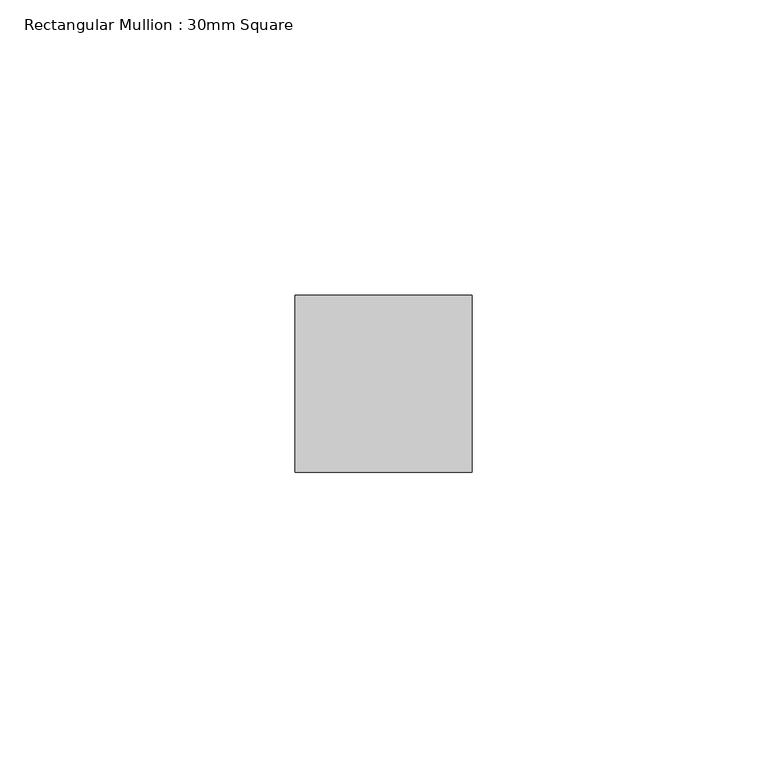
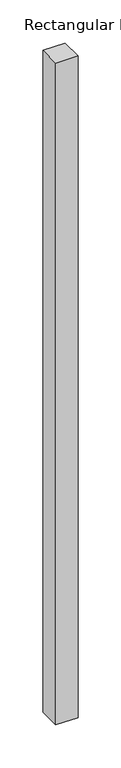
"""IFC4 building model written with IfcOpenShell, lengths in millimetres: member geometry, Rectangular Mullion : 30mm Square."""

import ifcopenshell
import ifcopenshell.guid

model = None  # the IFC model being written
_history = None  # IfcOwnerHistory: only IFC2X3 demands one
_inside = {}  # id of a spatial element -> (the spatial element, [elements in it])
_under = {}  # id of a project, library or spatial element -> (it, [spatial elements below it])
_declared = {}  # id of a project -> (the project, [libraries it declares])
_typed = {}  # id of a type object -> (the type object, [elements of that type])
_made_of = {}  # id of a material, layer set ... -> (it, [elements and type objects made of it])


def new_model(schema):
    """Start an empty IFC model of exactly this schema.

    Asked for "IFC4X3", IfcOpenShell would pick the latest addendum, in which some entities
    have other attributes; the version numbers below select the first issue.
    IFC2X3 requires an IfcOwnerHistory on every rooted entity: one is made here for all.
    """
    global model, _history
    if schema == "IFC4X3":
        model = ifcopenshell.file(schema_version=(4, 3, 0, 0))
    else:
        model = ifcopenshell.file(schema=schema)
    _inside.clear()
    _under.clear()
    _declared.clear()
    _typed.clear()
    _made_of.clear()
    _history = None
    if model.schema == "IFC2X3":
        org = make("IfcOrganization", Name="unknown")
        user = make(
            "IfcPersonAndOrganization",
            ThePerson=make("IfcPerson", FamilyName="unknown"),
            TheOrganization=org,
        )
        app = make(
            "IfcApplication",
            ApplicationDeveloper=org,
            Version="unknown",
            ApplicationFullName="unknown",
            ApplicationIdentifier="unknown",
        )
        _history = make(
            "IfcOwnerHistory",
            OwningUser=user,
            OwningApplication=app,
            ChangeAction="ADDED",
            CreationDate=0,
        )
    return model


def make(cls, **values):
    """One entity of the class cls with the attributes given. An attribute that is None is left unset."""
    return model.create_entity(
        cls, **{name: value for name, value in values.items() if value is not None}
    )


def rooted(cls, **values):
    """An entity with a GlobalId (a new one), such as an element, a storey or a relation."""
    return make(cls, GlobalId=ifcopenshell.guid.new(), OwnerHistory=_history, **values)


def si_unit(unit_type, name, prefix=None):
    """IfcSIUnit, for example si_unit("LENGTHUNIT", "METRE", prefix="MILLI")."""
    return make("IfcSIUnit", UnitType=unit_type, Prefix=prefix, Name=name)


def assignment(units):
    """IfcUnitAssignment: the units of a project."""
    return None if units is None else make("IfcUnitAssignment", Units=units)


def point(xyz):
    """IfcCartesianPoint."""
    return None if xyz is None else make("IfcCartesianPoint", Coordinates=xyz)


def direction(xyz):
    """IfcDirection."""
    return None if xyz is None else make("IfcDirection", DirectionRatios=xyz)


def frame(location, z_axis=None, x_axis=None):
    """IfcAxis2Placement3D, a coordinate frame: its origin and axes. An axis left out is left unset."""
    return make(
        "IfcAxis2Placement3D",
        Location=point(location),
        Axis=direction(z_axis),
        RefDirection=direction(x_axis),
    )


def origin():
    """The frame at (0, 0, 0) with its axes left unset."""
    return frame((0.0, 0.0, 0.0))


def place(relative_to, where):
    """IfcLocalPlacement: puts the frame where relative to a parent placement (None: the world)."""
    return make(
        "IfcLocalPlacement", PlacementRelTo=relative_to, RelativePlacement=where
    )


def context(
    kind, dimensions, precision=None, world=None, true_north=None, identifier=None
):
    """IfcGeometricRepresentationContext, for example the 3D "Model" context."""
    return make(
        "IfcGeometricRepresentationContext",
        ContextIdentifier=identifier,
        ContextType=kind,
        CoordinateSpaceDimension=dimensions,
        Precision=precision,
        WorldCoordinateSystem=world,
        TrueNorth=true_north,
    )


def project(units=None, contexts=None):
    """IfcProject with its units and contexts."""
    return rooted(
        "IfcProject",
        Name="project",
        RepresentationContexts=contexts,
        UnitsInContext=assignment(units),
    )


def spatial(cls, under=None, at=None, **own):
    """A site, building, storey or space (cls), placed at a placement, below another one or the project."""
    s = rooted(cls, ObjectPlacement=at, **own)
    if under is not None:
        _under.setdefault(under.id(), (under, []))[1].append(s)
    return s


def polyline(points):
    """IfcPolyline through the points."""
    return make("IfcPolyline", Points=[point(p) for p in points])


def outline(outer, holes=None, kind="AREA"):
    """IfcArbitraryClosedProfileDef: a profile drawn as a closed curve; with holes, ...WithVoids."""
    if holes is None:
        return make("IfcArbitraryClosedProfileDef", ProfileType=kind, OuterCurve=outer)
    return make(
        "IfcArbitraryProfileDefWithVoids",
        ProfileType=kind,
        OuterCurve=outer,
        InnerCurves=holes,
    )


def extrude(swept, where, along, depth):
    """IfcExtrudedAreaSolid: the profile swept, set in the frame where, extruded along a direction by depth."""
    return make(
        "IfcExtrudedAreaSolid",
        SweptArea=swept,
        Position=where,
        ExtrudedDirection=direction(along),
        Depth=depth,
    )


def shape(context_of_items, identifier, shape_type, items):
    """IfcShapeRepresentation: the items that make up one representation, for example the "Body"."""
    return make(
        "IfcShapeRepresentation",
        ContextOfItems=context_of_items,
        RepresentationIdentifier=identifier,
        RepresentationType=shape_type,
        Items=items,
    )


def source(mapping_origin, context_of_items, identifier, shape_type, items):
    """IfcRepresentationMap: a shape defined once, which mapped items show again and again."""
    return make(
        "IfcRepresentationMap",
        MappingOrigin=mapping_origin,
        MappedRepresentation=shape(context_of_items, identifier, shape_type, items),
    )


def transform(
    local_origin,
    x_axis=None,
    y_axis=None,
    z_axis=None,
    scale=None,
    scale2=None,
    scale3=None,
    uniform=True,
):
    """IfcCartesianTransformationOperator3D, or its non-uniform kind. x_axis, y_axis, z_axis: its Axis1, 2, 3."""
    if uniform:
        return make(
            "IfcCartesianTransformationOperator3D",
            Axis1=direction(x_axis),
            Axis2=direction(y_axis),
            LocalOrigin=point(local_origin),
            Scale=scale,
            Axis3=direction(z_axis),
        )
    return make(
        "IfcCartesianTransformationOperator3DnonUniform",
        Axis1=direction(x_axis),
        Axis2=direction(y_axis),
        LocalOrigin=point(local_origin),
        Scale=scale,
        Axis3=direction(z_axis),
        Scale2=scale2,
        Scale3=scale3,
    )


def mapped(mapping_source, mapping_target):
    """IfcMappedItem: shows the shape of a source again, moved by a transform."""
    return make(
        "IfcMappedItem", MappingSource=mapping_source, MappingTarget=mapping_target
    )


def made_of(thing, what):
    """Note that an element or type object is made of a material, layer set ...; save() writes the relation."""
    if what is not None:
        _made_of.setdefault(what.id(), (what, []))[1].append(thing)
    return thing


def element(
    cls,
    number,
    at=None,
    inside=None,
    cuts=None,
    type_object=None,
    material=None,
    context=None,
    identifier="Body",
    shape_type=None,
    held_by="IfcProductDefinitionShape",
    body=None,
    shapes=None,
    **own,
):
    """One element of the class cls, such as IfcWall. Its Tag is "e" and its number.

    at: its placement. inside: the storey or other place that contains it. cuts: it is an
    opening in that element (IfcRelVoidsElement). A single representation is given by context,
    identifier, shape_type and body (its items); several are given by shapes. held_by: the class
    of the entity that holds the representations. save() writes the other relations.
    """
    e = rooted(cls, Tag="e%d" % number, ObjectPlacement=at, **own)
    if body is not None:
        shapes = [shape(context, identifier, shape_type, body)]
    if shapes is not None:
        e.Representation = make(held_by, Representations=shapes)
    if inside is not None:
        _inside.setdefault(inside.id(), (inside, []))[1].append(e)
    if cuts is not None:
        rooted(
            "IfcRelVoidsElement", RelatingBuildingElement=cuts, RelatedOpeningElement=e
        )
    if type_object is not None:
        _typed.setdefault(type_object.id(), (type_object, []))[1].append(e)
    return made_of(e, material)


def aggregate(whole, parts):
    """IfcRelAggregates: a whole, such as a stair, and the parts it consists of."""
    return rooted("IfcRelAggregates", RelatingObject=whole, RelatedObjects=parts)


def save(model, path):
    """Write the relations noted so far, then the file.

    IfcRelAggregates (storeys below a building ...), IfcRelContainedInSpatialStructure (elements
    in a storey), IfcRelDefinesByType, IfcRelAssociatesMaterial and IfcRelDeclares: one each for
    every whole, place, type object, material and project.
    """
    for whole, parts in _under.values():
        aggregate(whole, parts)
    for where, things in _inside.values():
        rooted(
            "IfcRelContainedInSpatialStructure",
            RelatedElements=things,
            RelatingStructure=where,
        )
    for kind, things in _typed.values():
        rooted("IfcRelDefinesByType", RelatedObjects=things, RelatingType=kind)
    for what, things in _made_of.values():
        rooted("IfcRelAssociatesMaterial", RelatedObjects=things, RelatingMaterial=what)
    for by, libraries in _declared.values():
        rooted("IfcRelDeclares", RelatingContext=by, RelatedDefinitions=libraries)
    model.write(path)


def rectangular_mullion_30mm_square_883fdd73(model_context):
    return source(origin(), model_context, "Body", "SweptSolid", [
        extrude(outline(polyline([(15.0, 15.0), (15.0, -15.0), (-15.0, -15.0), (-15.0, 15.0), (15.0, 15.0)])), frame((0.0, 0.0, -938.235469), z_axis=(0.0, 0.0, 1.0), x_axis=(1.0, 0.0, 0.0)), (0.0, 0.0, 1.0), 938.235469),
    ])


if __name__ == "__main__":
    model = new_model("IFC4")
    model_context = context("Model", 3, world=origin())
    ifc_project = project(units=[si_unit("LENGTHUNIT", "METRE", prefix="MILLI")], contexts=[model_context])
    site = spatial("IfcSite", under=ifc_project)
    building = spatial("IfcBuilding", under=site)
    placement = place(None, origin())
    rectangular_mullion_30mm_square_shape = rectangular_mullion_30mm_square_883fdd73(model_context)
    element("IfcMember", 1, ObjectType="Rectangular Mullion : 30mm Square", at=placement, inside=building, context=model_context, shape_type="MappedRepresentation", body=[
        mapped(rectangular_mullion_30mm_square_shape, transform((0.0, 0.0, 0.0), x_axis=(1.0, 0.0, 0.0), y_axis=(0.0, 1.0, 0.0), z_axis=(0.0, 0.0, 1.0))),
    ])
    save(model, "model.ifc")
